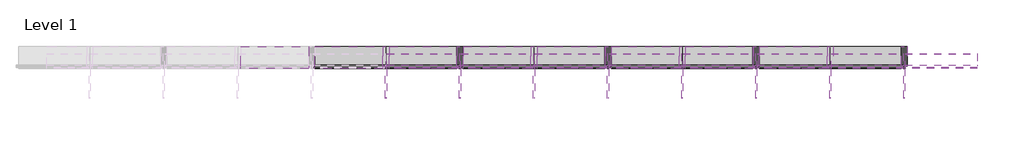
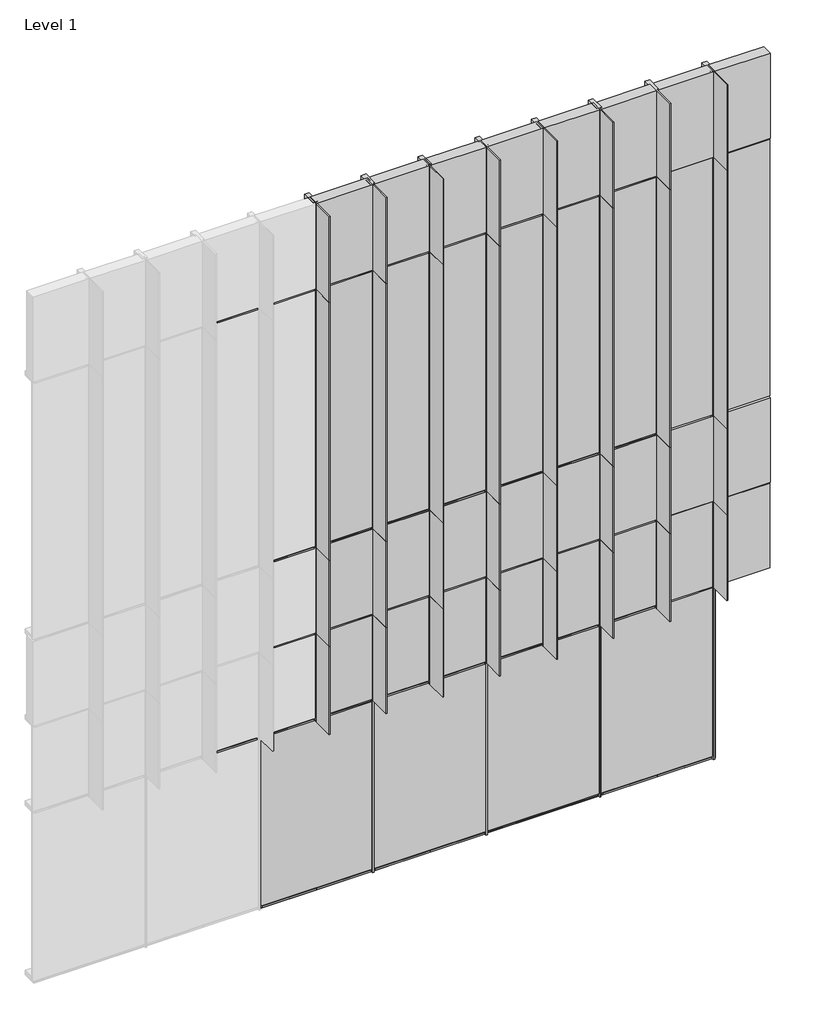
# One storey, part 10 of 15: 74 members, 36 plates.
"""IFC4 building model written with IfcOpenShell, lengths in millimetres."""

import ifcopenshell
import ifcopenshell.guid

model = None  # the IFC model being written
_history = None  # IfcOwnerHistory: only IFC2X3 demands one
_inside = {}  # id of a spatial element -> (the spatial element, [elements in it])
_under = {}  # id of a project, library or spatial element -> (it, [spatial elements below it])
_declared = {}  # id of a project -> (the project, [libraries it declares])
_typed = {}  # id of a type object -> (the type object, [elements of that type])
_made_of = {}  # id of a material, layer set ... -> (it, [elements and type objects made of it])


def new_model(schema):
    """Start an empty IFC model of exactly this schema.

    Asked for "IFC4X3", IfcOpenShell would pick the latest addendum, in which some entities
    have other attributes; the version numbers below select the first issue.
    IFC2X3 requires an IfcOwnerHistory on every rooted entity: one is made here for all.
    """
    global model, _history
    if schema == "IFC4X3":
        model = ifcopenshell.file(schema_version=(4, 3, 0, 0))
    else:
        model = ifcopenshell.file(schema=schema)
    _inside.clear()
    _under.clear()
    _declared.clear()
    _typed.clear()
    _made_of.clear()
    _history = None
    if model.schema == "IFC2X3":
        org = make("IfcOrganization", Name="unknown")
        user = make(
            "IfcPersonAndOrganization",
            ThePerson=make("IfcPerson", FamilyName="unknown"),
            TheOrganization=org,
        )
        app = make(
            "IfcApplication",
            ApplicationDeveloper=org,
            Version="unknown",
            ApplicationFullName="unknown",
            ApplicationIdentifier="unknown",
        )
        _history = make(
            "IfcOwnerHistory",
            OwningUser=user,
            OwningApplication=app,
            ChangeAction="ADDED",
            CreationDate=0,
        )
    return model


def make(cls, **values):
    """One entity of the class cls with the attributes given. An attribute that is None is left unset."""
    return model.create_entity(
        cls, **{name: value for name, value in values.items() if value is not None}
    )


def rooted(cls, **values):
    """An entity with a GlobalId (a new one), such as an element, a storey or a relation."""
    return make(cls, GlobalId=ifcopenshell.guid.new(), OwnerHistory=_history, **values)


def si_unit(unit_type, name, prefix=None):
    """IfcSIUnit, for example si_unit("LENGTHUNIT", "METRE", prefix="MILLI")."""
    return make("IfcSIUnit", UnitType=unit_type, Prefix=prefix, Name=name)


def assignment(units):
    """IfcUnitAssignment: the units of a project."""
    return None if units is None else make("IfcUnitAssignment", Units=units)


def point(xyz):
    """IfcCartesianPoint."""
    return None if xyz is None else make("IfcCartesianPoint", Coordinates=xyz)


def direction(xyz):
    """IfcDirection."""
    return None if xyz is None else make("IfcDirection", DirectionRatios=xyz)


def frame(location, z_axis=None, x_axis=None):
    """IfcAxis2Placement3D, a coordinate frame: its origin and axes. An axis left out is left unset."""
    return make(
        "IfcAxis2Placement3D",
        Location=point(location),
        Axis=direction(z_axis),
        RefDirection=direction(x_axis),
    )


def origin():
    """The frame at (0, 0, 0) with its axes left unset."""
    return frame((0.0, 0.0, 0.0))


def origin_with_axes():
    """The frame at (0, 0, 0) with the z axis (0, 0, 1) and the x axis (1, 0, 0) written out."""
    return frame((0.0, 0.0, 0.0), z_axis=(0.0, 0.0, 1.0), x_axis=(1.0, 0.0, 0.0))


def place(relative_to, where):
    """IfcLocalPlacement: puts the frame where relative to a parent placement (None: the world)."""
    return make(
        "IfcLocalPlacement", PlacementRelTo=relative_to, RelativePlacement=where
    )


def context(
    kind, dimensions, precision=None, world=None, true_north=None, identifier=None
):
    """IfcGeometricRepresentationContext, for example the 3D "Model" context."""
    return make(
        "IfcGeometricRepresentationContext",
        ContextIdentifier=identifier,
        ContextType=kind,
        CoordinateSpaceDimension=dimensions,
        Precision=precision,
        WorldCoordinateSystem=world,
        TrueNorth=true_north,
    )


def project(units=None, contexts=None):
    """IfcProject with its units and contexts."""
    return rooted(
        "IfcProject",
        Name="project",
        RepresentationContexts=contexts,
        UnitsInContext=assignment(units),
    )


def spatial(cls, under=None, at=None, **own):
    """A site, building, storey or space (cls), placed at a placement, below another one or the project."""
    s = rooted(cls, ObjectPlacement=at, **own)
    if under is not None:
        _under.setdefault(under.id(), (under, []))[1].append(s)
    return s


def polyline(points):
    """IfcPolyline through the points."""
    return make("IfcPolyline", Points=[point(p) for p in points])


def outline(outer, holes=None, kind="AREA"):
    """IfcArbitraryClosedProfileDef: a profile drawn as a closed curve; with holes, ...WithVoids."""
    if holes is None:
        return make("IfcArbitraryClosedProfileDef", ProfileType=kind, OuterCurve=outer)
    return make(
        "IfcArbitraryProfileDefWithVoids",
        ProfileType=kind,
        OuterCurve=outer,
        InnerCurves=holes,
    )


def extrude(swept, where, along, depth):
    """IfcExtrudedAreaSolid: the profile swept, set in the frame where, extruded along a direction by depth."""
    return make(
        "IfcExtrudedAreaSolid",
        SweptArea=swept,
        Position=where,
        ExtrudedDirection=direction(along),
        Depth=depth,
    )


def shape(context_of_items, identifier, shape_type, items):
    """IfcShapeRepresentation: the items that make up one representation, for example the "Body"."""
    return make(
        "IfcShapeRepresentation",
        ContextOfItems=context_of_items,
        RepresentationIdentifier=identifier,
        RepresentationType=shape_type,
        Items=items,
    )


def source(mapping_origin, context_of_items, identifier, shape_type, items):
    """IfcRepresentationMap: a shape defined once, which mapped items show again and again."""
    return make(
        "IfcRepresentationMap",
        MappingOrigin=mapping_origin,
        MappedRepresentation=shape(context_of_items, identifier, shape_type, items),
    )


def transform(
    local_origin,
    x_axis=None,
    y_axis=None,
    z_axis=None,
    scale=None,
    scale2=None,
    scale3=None,
    uniform=True,
):
    """IfcCartesianTransformationOperator3D, or its non-uniform kind. x_axis, y_axis, z_axis: its Axis1, 2, 3."""
    if uniform:
        return make(
            "IfcCartesianTransformationOperator3D",
            Axis1=direction(x_axis),
            Axis2=direction(y_axis),
            LocalOrigin=point(local_origin),
            Scale=scale,
            Axis3=direction(z_axis),
        )
    return make(
        "IfcCartesianTransformationOperator3DnonUniform",
        Axis1=direction(x_axis),
        Axis2=direction(y_axis),
        LocalOrigin=point(local_origin),
        Scale=scale,
        Axis3=direction(z_axis),
        Scale2=scale2,
        Scale3=scale3,
    )


def mapped(mapping_source, mapping_target):
    """IfcMappedItem: shows the shape of a source again, moved by a transform."""
    return make(
        "IfcMappedItem", MappingSource=mapping_source, MappingTarget=mapping_target
    )


def made_of(thing, what):
    """Note that an element or type object is made of a material, layer set ...; save() writes the relation."""
    if what is not None:
        _made_of.setdefault(what.id(), (what, []))[1].append(thing)
    return thing


def element(
    cls,
    number,
    at=None,
    inside=None,
    cuts=None,
    type_object=None,
    material=None,
    context=None,
    identifier="Body",
    shape_type=None,
    held_by="IfcProductDefinitionShape",
    body=None,
    shapes=None,
    **own,
):
    """One element of the class cls, such as IfcWall. Its Tag is "e" and its number.

    at: its placement. inside: the storey or other place that contains it. cuts: it is an
    opening in that element (IfcRelVoidsElement). A single representation is given by context,
    identifier, shape_type and body (its items); several are given by shapes. held_by: the class
    of the entity that holds the representations. save() writes the other relations.
    """
    e = rooted(cls, Tag="e%d" % number, ObjectPlacement=at, **own)
    if body is not None:
        shapes = [shape(context, identifier, shape_type, body)]
    if shapes is not None:
        e.Representation = make(held_by, Representations=shapes)
    if inside is not None:
        _inside.setdefault(inside.id(), (inside, []))[1].append(e)
    if cuts is not None:
        rooted(
            "IfcRelVoidsElement", RelatingBuildingElement=cuts, RelatedOpeningElement=e
        )
    if type_object is not None:
        _typed.setdefault(type_object.id(), (type_object, []))[1].append(e)
    return made_of(e, material)


def aggregate(whole, parts):
    """IfcRelAggregates: a whole, such as a stair, and the parts it consists of."""
    return rooted("IfcRelAggregates", RelatingObject=whole, RelatedObjects=parts)


def save(model, path):
    """Write the relations noted so far, then the file.

    IfcRelAggregates (storeys below a building ...), IfcRelContainedInSpatialStructure (elements
    in a storey), IfcRelDefinesByType, IfcRelAssociatesMaterial and IfcRelDeclares: one each for
    every whole, place, type object, material and project.
    """
    for whole, parts in _under.values():
        aggregate(whole, parts)
    for where, things in _inside.values():
        rooted(
            "IfcRelContainedInSpatialStructure",
            RelatedElements=things,
            RelatingStructure=where,
        )
    for kind, things in _typed.values():
        rooted("IfcRelDefinesByType", RelatedObjects=things, RelatingType=kind)
    for what, things in _made_of.values():
        rooted("IfcRelAssociatesMaterial", RelatedObjects=things, RelatingMaterial=what)
    for by, libraries in _declared.values():
        rooted("IfcRelDeclares", RelatingContext=by, RelatedDefinitions=libraries)
    model.write(path)


def rectangular_mullion_658b0388(model_context):
    return source(origin(), model_context, "Body", "SweptSolid", [
        extrude(outline(polyline([(33.2101153, -228.6), (-30.2898847, -228.6), (-30.2898847, -26.9875), (-8.0648847, -26.9875), (-8.0648847, 0.0), (-4.8898847, 0.0), (-4.8898847, 304.8), (7.8101153, 304.8), (7.8101153, 0.0), (10.9851153, 0.0), (10.9851153, -26.9875), (33.2101153, -26.9875), (33.2101153, -228.6)])), frame((0.0, 0.0, -3657.6), z_axis=(0.0, 0.0, 1.0), x_axis=(1.0, 0.0, 0.0)), (0.0, 0.0, 1.0), 3657.6),
    ])


def rectangular_mullion_40a1b22a(model_context):
    return source(origin(), model_context, "Body", "SweptSolid", [
        extrude(outline(polyline([(33.2101153, -228.6), (-30.2898847, -228.6), (-30.2898847, -26.9875), (-8.0648847, -26.9875), (-8.0648847, 0.0), (-4.8898847, 0.0), (-4.8898847, 304.8), (7.8101153, 304.8), (7.8101153, 0.0), (10.9851153, 0.0), (10.9851153, -26.9875), (33.2101153, -26.9875), (33.2101153, -228.6)])), frame((0.0, 0.0, -1219.2), z_axis=(0.0, 0.0, 1.0), x_axis=(1.0, 0.0, 0.0)), (0.0, 0.0, 1.0), 1219.2),
    ])


def rectangular_mullion_8a8c6ea4(model_context):
    return source(origin(), model_context, "Body", "SweptSolid", [
        extrude(outline(polyline([(31.75, -228.6), (-31.75, -228.6), (-31.75, -26.9875), (-9.525, -26.9875), (-9.525, 0.0), (9.525, 0.0), (9.525, -26.9875), (31.75, -26.9875), (31.75, -228.6)])), frame((0.0, 0.0, -698.5), z_axis=(0.0, 0.0, 1.0), x_axis=(1.0, 0.0, 0.0)), (0.0, 0.0, 1.0), 698.5),
    ])


def rectangular_mullion_2ba164b7(model_context):
    return source(origin(), model_context, "Body", "SweptSolid", [
        extrude(outline(polyline([(31.75, -228.6), (-31.75, -228.6), (-31.75, -26.9875), (-9.525, -26.9875), (-9.525, 0.0), (9.525, 0.0), (9.525, -26.9875), (31.75, -26.9875), (31.75, -228.6)])), frame((0.0, 0.0, -2438.4), z_axis=(0.0, 0.0, 1.0), x_axis=(1.0, 0.0, 0.0)), (0.0, 0.0, 1.0), 2438.4),
    ])


def rectangular_mullion_79c372c8(model_context):
    return source(origin(), model_context, "Body", "SweptSolid", [
        extrude(outline(polyline([(33.2101153, -228.6), (-30.2898847, -228.6), (-30.2898847, -26.9875), (-8.0648847, -26.9875), (-8.0648847, 0.0), (-4.8898847, 0.0), (-4.8898847, 304.8), (7.8101153, 304.8), (7.8101153, 0.0), (10.9851153, 0.0), (10.9851153, -26.9875), (33.2101153, -26.9875), (33.2101153, -228.6)])), frame((0.0, 0.0, -1250.95), z_axis=(0.0, 0.0, 1.0), x_axis=(1.0, 0.0, 0.0)), (0.0, 0.0, 1.0), 1250.95),
    ])


def rectangular_mullion_a8ff40d3(model_context):
    return source(origin(), model_context, "Body", "SweptSolid", [
        extrude(outline(polyline([(31.75, -228.6), (-31.75, -228.6), (-31.75, -26.9875), (-9.525, -26.9875), (-9.525, 0.0), (9.525, 0.0), (9.525, -26.9875), (31.75, -26.9875), (31.75, -228.6)])), frame((0.0, 0.0, -697.0398847), z_axis=(0.0, 0.0, 1.0), x_axis=(1.0, 0.0, 0.0)), (0.0, 0.0, 1.0), 697.0398847),
    ])


def rectangular_mullion_34b15848(model_context):
    return source(origin(), model_context, "Body", "SweptSolid", [
        extrude(outline(polyline([(-63.5, -228.6), (-63.5, -26.9875), (-41.275, -26.9875), (-41.275, 0.0), (-22.225, 0.0), (-22.225, -26.9875), (0.0, -26.9875), (0.0, -228.6), (-63.5, -228.6)])), frame((0.0, 0.0, -730.25), z_axis=(0.0, 0.0, 1.0), x_axis=(1.0, 0.0, 0.0)), (0.0, 0.0, 1.0), 730.25),
    ])


def plate_6c5fabed(model_context):
    return source(origin(), model_context, "Body", "SweptSolid", [
        extrude(outline(polyline([(0.0, -752.475), (0.0, 0.0), (0.0, 752.475), (2387.6, 752.475), (2387.6, 0.0), (2387.6, -752.475), (0.0, -752.475)])), frame((0.0, 12.7, 0.0), z_axis=(0.0, 1.0, 0.0), x_axis=(0.0, 0.0, 1.0)), (0.0, 0.0, 1.0), 25.4),
    ])


def plate_a50c4586(model_context):
    return source(origin(), model_context, "Body", "SweptSolid", [
        extrude(outline(polyline([(371.475, 12.7), (-371.475, 12.7), (-371.475, 38.1), (371.475, 38.1), (371.475, 12.7)])), origin_with_axes(), (0.0, 0.0, 1.0), 3638.55),
    ])


def plate_fd20e3dd(model_context):
    return source(origin(), model_context, "Body", "SweptSolid", [
        extrude(outline(polyline([(371.475, 12.7), (-371.475, 12.7), (-371.475, 38.1), (371.475, 38.1), (371.475, 12.7)])), origin_with_axes(), (0.0, 0.0, 1.0), 1200.15),
    ])


def plate_d4540562(model_context):
    return source(origin(), model_context, "Body", "SweptSolid", [
        extrude(outline(polyline([(371.475, 0.0), (-371.475, 0.0), (-371.475, 152.4), (371.475, 152.4), (371.475, 0.0)])), origin_with_axes(), (0.0, 0.0, 1.0), 1200.15),
    ])


def plate_23171f9a(model_context):
    return source(origin(), model_context, "Body", "SweptSolid", [
        extrude(outline(polyline([(371.475, 0.0), (-371.475, 0.0), (-371.475, 152.4), (371.475, 152.4), (371.475, 0.0)])), origin_with_axes(), (0.0, 0.0, 1.0), 1209.675),
    ])


model = new_model("IFC4")

# Units and contexts
model_context = context("Model", 3, world=origin())
ifc_project = project(units=[si_unit("LENGTHUNIT", "METRE", prefix="MILLI")], contexts=[model_context])

# Site, building, storey
site = spatial("IfcSite", under=ifc_project)
building = spatial("IfcBuilding", under=site)
storey = spatial("IfcBuildingStorey", under=building, Name="Level 1", Elevation=0.0)

# Members
placement = place(None, origin())
rectangular_mullion_shape = rectangular_mullion_658b0388(model_context)
element("IfcMember", 1, ObjectType="Rectangular Mullion", at=placement, inside=storey, context=model_context, shape_type="MappedRepresentation", body=[
    mapped(rectangular_mullion_shape, transform((246179.8928019, 88347.5014, 4876.8), x_axis=(1.0, 0.0, 0.0), y_axis=(0.0, -1.0, 0.0), z_axis=(0.0, 0.0, -1.0))),
])
element("IfcMember", 2, ObjectType="Rectangular Mullion", at=placement, inside=storey, context=model_context, shape_type="MappedRepresentation", body=[
    mapped(rectangular_mullion_shape, transform((246941.8928019, 88347.5014, 4876.8), x_axis=(1.0, 0.0, 0.0), y_axis=(0.0, -1.0, 0.0), z_axis=(0.0, 0.0, -1.0))),
])
element("IfcMember", 3, ObjectType="Rectangular Mullion", at=placement, inside=storey, context=model_context, shape_type="MappedRepresentation", body=[
    mapped(rectangular_mullion_shape, transform((247703.8928019, 88347.5014, 4876.8), x_axis=(1.0, 0.0, 0.0), y_axis=(0.0, -1.0, 0.0), z_axis=(0.0, 0.0, -1.0))),
])
element("IfcMember", 4, ObjectType="Rectangular Mullion", at=placement, inside=storey, context=model_context, shape_type="MappedRepresentation", body=[
    mapped(rectangular_mullion_shape, transform((248465.8928019, 88347.5014, 4876.8), x_axis=(1.0, 0.0, 0.0), y_axis=(0.0, -1.0, 0.0), z_axis=(0.0, 0.0, -1.0))),
])
element("IfcMember", 5, ObjectType="Rectangular Mullion", at=placement, inside=storey, context=model_context, shape_type="MappedRepresentation", body=[
    mapped(rectangular_mullion_shape, transform((249227.8928019, 88347.5014, 4876.8), x_axis=(1.0, 0.0, 0.0), y_axis=(0.0, -1.0, 0.0), z_axis=(0.0, 0.0, -1.0))),
])
element("IfcMember", 6, ObjectType="Rectangular Mullion", at=placement, inside=storey, context=model_context, shape_type="MappedRepresentation", body=[
    mapped(rectangular_mullion_shape, transform((249989.8928019, 88347.5014, 4876.8), x_axis=(1.0, 0.0, 0.0), y_axis=(0.0, -1.0, 0.0), z_axis=(0.0, 0.0, -1.0))),
])
element("IfcMember", 7, ObjectType="Rectangular Mullion", at=placement, inside=storey, context=model_context, shape_type="MappedRepresentation", body=[
    mapped(rectangular_mullion_shape, transform((250751.8928019, 88347.5014, 4876.8), x_axis=(1.0, 0.0, 0.0), y_axis=(0.0, -1.0, 0.0), z_axis=(0.0, 0.0, -1.0))),
])
element("IfcMember", 8, ObjectType="Rectangular Mullion", at=placement, inside=storey, context=model_context, shape_type="MappedRepresentation", body=[
    mapped(rectangular_mullion_shape, transform((251513.8928019, 88347.5014, 4876.8), x_axis=(1.0, 0.0, 0.0), y_axis=(0.0, -1.0, 0.0), z_axis=(0.0, 0.0, -1.0))),
])
rectangular_mullion_2_shape = rectangular_mullion_40a1b22a(model_context)
element("IfcMember", 9, ObjectType="Rectangular Mullion", at=placement, inside=storey, context=model_context, shape_type="MappedRepresentation", body=[
    mapped(rectangular_mullion_2_shape, transform((246179.8928019, 88347.5014, 3657.6), x_axis=(1.0, 0.0, 0.0), y_axis=(0.0, -1.0, 0.0), z_axis=(0.0, 0.0, -1.0))),
])
element("IfcMember", 10, ObjectType="Rectangular Mullion", at=placement, inside=storey, context=model_context, shape_type="MappedRepresentation", body=[
    mapped(rectangular_mullion_2_shape, transform((246941.8928019, 88347.5014, 3657.6), x_axis=(1.0, 0.0, 0.0), y_axis=(0.0, -1.0, 0.0), z_axis=(0.0, 0.0, -1.0))),
])
element("IfcMember", 11, ObjectType="Rectangular Mullion", at=placement, inside=storey, context=model_context, shape_type="MappedRepresentation", body=[
    mapped(rectangular_mullion_2_shape, transform((247703.8928019, 88347.5014, 3657.6), x_axis=(1.0, 0.0, 0.0), y_axis=(0.0, -1.0, 0.0), z_axis=(0.0, 0.0, -1.0))),
])
element("IfcMember", 12, ObjectType="Rectangular Mullion", at=placement, inside=storey, context=model_context, shape_type="MappedRepresentation", body=[
    mapped(rectangular_mullion_2_shape, transform((248465.8928019, 88347.5014, 3657.6), x_axis=(1.0, 0.0, 0.0), y_axis=(0.0, -1.0, 0.0), z_axis=(0.0, 0.0, -1.0))),
])
element("IfcMember", 13, ObjectType="Rectangular Mullion", at=placement, inside=storey, context=model_context, shape_type="MappedRepresentation", body=[
    mapped(rectangular_mullion_2_shape, transform((249227.8928019, 88347.5014, 3657.6), x_axis=(1.0, 0.0, 0.0), y_axis=(0.0, -1.0, 0.0), z_axis=(0.0, 0.0, -1.0))),
])
element("IfcMember", 14, ObjectType="Rectangular Mullion", at=placement, inside=storey, context=model_context, shape_type="MappedRepresentation", body=[
    mapped(rectangular_mullion_2_shape, transform((249989.8928019, 88347.5014, 3657.6), x_axis=(1.0, 0.0, 0.0), y_axis=(0.0, -1.0, 0.0), z_axis=(0.0, 0.0, -1.0))),
])
element("IfcMember", 15, ObjectType="Rectangular Mullion", at=placement, inside=storey, context=model_context, shape_type="MappedRepresentation", body=[
    mapped(rectangular_mullion_2_shape, transform((250751.8928019, 88347.5014, 3657.6), x_axis=(1.0, 0.0, 0.0), y_axis=(0.0, -1.0, 0.0), z_axis=(0.0, 0.0, -1.0))),
])
element("IfcMember", 16, ObjectType="Rectangular Mullion", at=placement, inside=storey, context=model_context, shape_type="MappedRepresentation", body=[
    mapped(rectangular_mullion_2_shape, transform((251513.8928019, 88347.5014, 3657.6), x_axis=(1.0, 0.0, 0.0), y_axis=(0.0, -1.0, 0.0), z_axis=(0.0, 0.0, -1.0))),
])
element("IfcMember", 17, ObjectType="Rectangular Mullion", at=placement, inside=storey, context=model_context, shape_type="MappedRepresentation", body=[
    mapped(rectangular_mullion_2_shape, transform((246179.8928019, 88347.5014, 8534.4), x_axis=(1.0, 0.0, 0.0), y_axis=(0.0, -1.0, 0.0), z_axis=(0.0, 0.0, -1.0))),
])
element("IfcMember", 18, ObjectType="Rectangular Mullion", at=placement, inside=storey, context=model_context, shape_type="MappedRepresentation", body=[
    mapped(rectangular_mullion_2_shape, transform((246941.8928019, 88347.5014, 8534.4), x_axis=(1.0, 0.0, 0.0), y_axis=(0.0, -1.0, 0.0), z_axis=(0.0, 0.0, -1.0))),
])
element("IfcMember", 19, ObjectType="Rectangular Mullion", at=placement, inside=storey, context=model_context, shape_type="MappedRepresentation", body=[
    mapped(rectangular_mullion_2_shape, transform((247703.8928019, 88347.5014, 8534.4), x_axis=(1.0, 0.0, 0.0), y_axis=(0.0, -1.0, 0.0), z_axis=(0.0, 0.0, -1.0))),
])
element("IfcMember", 20, ObjectType="Rectangular Mullion", at=placement, inside=storey, context=model_context, shape_type="MappedRepresentation", body=[
    mapped(rectangular_mullion_2_shape, transform((248465.8928019, 88347.5014, 8534.4), x_axis=(1.0, 0.0, 0.0), y_axis=(0.0, -1.0, 0.0), z_axis=(0.0, 0.0, -1.0))),
])
element("IfcMember", 21, ObjectType="Rectangular Mullion", at=placement, inside=storey, context=model_context, shape_type="MappedRepresentation", body=[
    mapped(rectangular_mullion_2_shape, transform((249227.8928019, 88347.5014, 8534.4), x_axis=(1.0, 0.0, 0.0), y_axis=(0.0, -1.0, 0.0), z_axis=(0.0, 0.0, -1.0))),
])
element("IfcMember", 22, ObjectType="Rectangular Mullion", at=placement, inside=storey, context=model_context, shape_type="MappedRepresentation", body=[
    mapped(rectangular_mullion_2_shape, transform((249989.8928019, 88347.5014, 8534.4), x_axis=(1.0, 0.0, 0.0), y_axis=(0.0, -1.0, 0.0), z_axis=(0.0, 0.0, -1.0))),
])
element("IfcMember", 23, ObjectType="Rectangular Mullion", at=placement, inside=storey, context=model_context, shape_type="MappedRepresentation", body=[
    mapped(rectangular_mullion_2_shape, transform((250751.8928019, 88347.5014, 8534.4), x_axis=(1.0, 0.0, 0.0), y_axis=(0.0, -1.0, 0.0), z_axis=(0.0, 0.0, -1.0))),
])
element("IfcMember", 24, ObjectType="Rectangular Mullion", at=placement, inside=storey, context=model_context, shape_type="MappedRepresentation", body=[
    mapped(rectangular_mullion_2_shape, transform((251513.8928019, 88347.5014, 8534.4), x_axis=(1.0, 0.0, 0.0), y_axis=(0.0, -1.0, 0.0), z_axis=(0.0, 0.0, -1.0))),
])
rectangular_mullion_3_shape = rectangular_mullion_8a8c6ea4(model_context)
element("IfcMember", 25, ObjectType="Rectangular Mullion", at=placement, inside=storey, context=model_context, shape_type="MappedRepresentation", body=[
    mapped(rectangular_mullion_3_shape, transform((246149.6029172, 88347.5014, 4876.8), x_axis=(0.0, 0.0, 1.0), y_axis=(0.0, -1.0, 0.0), z_axis=(1.0, 0.0, 0.0))),
])
element("IfcMember", 26, ObjectType="Rectangular Mullion", at=placement, inside=storey, context=model_context, shape_type="MappedRepresentation", body=[
    mapped(rectangular_mullion_3_shape, transform((246911.6029172, 88347.5014, 4876.8), x_axis=(0.0, 0.0, 1.0), y_axis=(0.0, -1.0, 0.0), z_axis=(1.0, 0.0, 0.0))),
])
element("IfcMember", 27, ObjectType="Rectangular Mullion", at=placement, inside=storey, context=model_context, shape_type="MappedRepresentation", body=[
    mapped(rectangular_mullion_3_shape, transform((247673.6029172, 88347.5014, 4876.8), x_axis=(0.0, 0.0, 1.0), y_axis=(0.0, -1.0, 0.0), z_axis=(1.0, 0.0, 0.0))),
])
element("IfcMember", 28, ObjectType="Rectangular Mullion", at=placement, inside=storey, context=model_context, shape_type="MappedRepresentation", body=[
    mapped(rectangular_mullion_3_shape, transform((248435.6029172, 88347.5014, 4876.8), x_axis=(0.0, 0.0, 1.0), y_axis=(0.0, -1.0, 0.0), z_axis=(1.0, 0.0, 0.0))),
])
element("IfcMember", 29, ObjectType="Rectangular Mullion", at=placement, inside=storey, context=model_context, shape_type="MappedRepresentation", body=[
    mapped(rectangular_mullion_3_shape, transform((249197.6029172, 88347.5014, 4876.8), x_axis=(0.0, 0.0, 1.0), y_axis=(0.0, -1.0, 0.0), z_axis=(1.0, 0.0, 0.0))),
])
element("IfcMember", 30, ObjectType="Rectangular Mullion", at=placement, inside=storey, context=model_context, shape_type="MappedRepresentation", body=[
    mapped(rectangular_mullion_3_shape, transform((249959.6029172, 88347.5014, 4876.8), x_axis=(0.0, 0.0, 1.0), y_axis=(0.0, -1.0, 0.0), z_axis=(1.0, 0.0, 0.0))),
])
element("IfcMember", 31, ObjectType="Rectangular Mullion", at=placement, inside=storey, context=model_context, shape_type="MappedRepresentation", body=[
    mapped(rectangular_mullion_3_shape, transform((250721.6029172, 88347.5014, 4876.8), x_axis=(0.0, 0.0, 1.0), y_axis=(0.0, -1.0, 0.0), z_axis=(1.0, 0.0, 0.0))),
])
element("IfcMember", 32, ObjectType="Rectangular Mullion", at=placement, inside=storey, context=model_context, shape_type="MappedRepresentation", body=[
    mapped(rectangular_mullion_3_shape, transform((246149.6029172, 88347.5014, 3657.6), x_axis=(0.0, 0.0, 1.0), y_axis=(0.0, -1.0, 0.0), z_axis=(1.0, 0.0, 0.0))),
])
element("IfcMember", 33, ObjectType="Rectangular Mullion", at=placement, inside=storey, context=model_context, shape_type="MappedRepresentation", body=[
    mapped(rectangular_mullion_3_shape, transform((246911.6029172, 88347.5014, 3657.6), x_axis=(0.0, 0.0, 1.0), y_axis=(0.0, -1.0, 0.0), z_axis=(1.0, 0.0, 0.0))),
])
element("IfcMember", 34, ObjectType="Rectangular Mullion", at=placement, inside=storey, context=model_context, shape_type="MappedRepresentation", body=[
    mapped(rectangular_mullion_3_shape, transform((247673.6029172, 88347.5014, 3657.6), x_axis=(0.0, 0.0, 1.0), y_axis=(0.0, -1.0, 0.0), z_axis=(1.0, 0.0, 0.0))),
])
element("IfcMember", 35, ObjectType="Rectangular Mullion", at=placement, inside=storey, context=model_context, shape_type="MappedRepresentation", body=[
    mapped(rectangular_mullion_3_shape, transform((248435.6029172, 88347.5014, 3657.6), x_axis=(0.0, 0.0, 1.0), y_axis=(0.0, -1.0, 0.0), z_axis=(1.0, 0.0, 0.0))),
])
element("IfcMember", 36, ObjectType="Rectangular Mullion", at=placement, inside=storey, context=model_context, shape_type="MappedRepresentation", body=[
    mapped(rectangular_mullion_3_shape, transform((249197.6029172, 88347.5014, 3657.6), x_axis=(0.0, 0.0, 1.0), y_axis=(0.0, -1.0, 0.0), z_axis=(1.0, 0.0, 0.0))),
])
element("IfcMember", 37, ObjectType="Rectangular Mullion", at=placement, inside=storey, context=model_context, shape_type="MappedRepresentation", body=[
    mapped(rectangular_mullion_3_shape, transform((249959.6029172, 88347.5014, 3657.6), x_axis=(0.0, 0.0, 1.0), y_axis=(0.0, -1.0, 0.0), z_axis=(1.0, 0.0, 0.0))),
])
element("IfcMember", 38, ObjectType="Rectangular Mullion", at=placement, inside=storey, context=model_context, shape_type="MappedRepresentation", body=[
    mapped(rectangular_mullion_3_shape, transform((250721.6029172, 88347.5014, 3657.6), x_axis=(0.0, 0.0, 1.0), y_axis=(0.0, -1.0, 0.0), z_axis=(1.0, 0.0, 0.0))),
])
element("IfcMember", 39, ObjectType="Rectangular Mullion", at=placement, inside=storey, context=model_context, shape_type="MappedRepresentation", body=[
    mapped(rectangular_mullion_3_shape, transform((245387.6029172, 88347.5014, 8534.4), x_axis=(0.0, 0.0, 1.0), y_axis=(0.0, -1.0, 0.0), z_axis=(1.0, 0.0, 0.0))),
])
element("IfcMember", 40, ObjectType="Rectangular Mullion", at=placement, inside=storey, context=model_context, shape_type="MappedRepresentation", body=[
    mapped(rectangular_mullion_3_shape, transform((246149.6029172, 88347.5014, 8534.4), x_axis=(0.0, 0.0, 1.0), y_axis=(0.0, -1.0, 0.0), z_axis=(1.0, 0.0, 0.0))),
])
element("IfcMember", 41, ObjectType="Rectangular Mullion", at=placement, inside=storey, context=model_context, shape_type="MappedRepresentation", body=[
    mapped(rectangular_mullion_3_shape, transform((246911.6029172, 88347.5014, 8534.4), x_axis=(0.0, 0.0, 1.0), y_axis=(0.0, -1.0, 0.0), z_axis=(1.0, 0.0, 0.0))),
])
element("IfcMember", 42, ObjectType="Rectangular Mullion", at=placement, inside=storey, context=model_context, shape_type="MappedRepresentation", body=[
    mapped(rectangular_mullion_3_shape, transform((247673.6029172, 88347.5014, 8534.4), x_axis=(0.0, 0.0, 1.0), y_axis=(0.0, -1.0, 0.0), z_axis=(1.0, 0.0, 0.0))),
])
element("IfcMember", 43, ObjectType="Rectangular Mullion", at=placement, inside=storey, context=model_context, shape_type="MappedRepresentation", body=[
    mapped(rectangular_mullion_3_shape, transform((248435.6029172, 88347.5014, 8534.4), x_axis=(0.0, 0.0, 1.0), y_axis=(0.0, -1.0, 0.0), z_axis=(1.0, 0.0, 0.0))),
])
element("IfcMember", 44, ObjectType="Rectangular Mullion", at=placement, inside=storey, context=model_context, shape_type="MappedRepresentation", body=[
    mapped(rectangular_mullion_3_shape, transform((249197.6029172, 88347.5014, 8534.4), x_axis=(0.0, 0.0, 1.0), y_axis=(0.0, -1.0, 0.0), z_axis=(1.0, 0.0, 0.0))),
])
element("IfcMember", 45, ObjectType="Rectangular Mullion", at=placement, inside=storey, context=model_context, shape_type="MappedRepresentation", body=[
    mapped(rectangular_mullion_3_shape, transform((249959.6029172, 88347.5014, 8534.4), x_axis=(0.0, 0.0, 1.0), y_axis=(0.0, -1.0, 0.0), z_axis=(1.0, 0.0, 0.0))),
])
element("IfcMember", 46, ObjectType="Rectangular Mullion", at=placement, inside=storey, context=model_context, shape_type="MappedRepresentation", body=[
    mapped(rectangular_mullion_3_shape, transform((250721.6029172, 88347.5014, 8534.4), x_axis=(0.0, 0.0, 1.0), y_axis=(0.0, -1.0, 0.0), z_axis=(1.0, 0.0, 0.0))),
])
element("IfcMember", 47, ObjectType="Rectangular Mullion", at=placement, inside=storey, context=model_context, shape_type="MappedRepresentation", body=[
    mapped(rectangular_mullion_3_shape, transform((246149.6029172, 88347.5014, 2438.4), x_axis=(0.0, 0.0, 1.0), y_axis=(0.0, -1.0, 0.0), z_axis=(1.0, 0.0, 0.0))),
])
element("IfcMember", 48, ObjectType="Rectangular Mullion", at=placement, inside=storey, context=model_context, shape_type="MappedRepresentation", body=[
    mapped(rectangular_mullion_3_shape, transform((247673.6029172, 88347.5014, 2438.4), x_axis=(0.0, 0.0, 1.0), y_axis=(0.0, -1.0, 0.0), z_axis=(1.0, 0.0, 0.0))),
])
element("IfcMember", 49, ObjectType="Rectangular Mullion", at=placement, inside=storey, context=model_context, shape_type="MappedRepresentation", body=[
    mapped(rectangular_mullion_3_shape, transform((249197.6029172, 88347.5014, 2438.4), x_axis=(0.0, 0.0, 1.0), y_axis=(0.0, -1.0, 0.0), z_axis=(1.0, 0.0, 0.0))),
])
element("IfcMember", 50, ObjectType="Rectangular Mullion", at=placement, inside=storey, context=model_context, shape_type="MappedRepresentation", body=[
    mapped(rectangular_mullion_3_shape, transform((250721.6029172, 88347.5014, 2438.4), x_axis=(0.0, 0.0, 1.0), y_axis=(0.0, -1.0, 0.0), z_axis=(1.0, 0.0, 0.0))),
])
rectangular_mullion_4_shape = rectangular_mullion_2ba164b7(model_context)
element("IfcMember", 51, ObjectType="Rectangular Mullion", at=placement, inside=storey, context=model_context, shape_type="MappedRepresentation", body=[
    mapped(rectangular_mullion_4_shape, transform((246941.8928019, 88347.5014, 0.0), x_axis=(1.0, 0.0, 0.0), y_axis=(0.0, -1.0, 0.0), z_axis=(0.0, 0.0, -1.0))),
])
element("IfcMember", 52, ObjectType="Rectangular Mullion", at=placement, inside=storey, context=model_context, shape_type="MappedRepresentation", body=[
    mapped(rectangular_mullion_4_shape, transform((248465.8928019, 88347.5014, 0.0), x_axis=(1.0, 0.0, 0.0), y_axis=(0.0, -1.0, 0.0), z_axis=(0.0, 0.0, -1.0))),
])
element("IfcMember", 53, ObjectType="Rectangular Mullion", at=placement, inside=storey, context=model_context, shape_type="MappedRepresentation", body=[
    mapped(rectangular_mullion_4_shape, transform((249989.8928019, 88347.5014, 0.0), x_axis=(1.0, 0.0, 0.0), y_axis=(0.0, -1.0, 0.0), z_axis=(0.0, 0.0, -1.0))),
])
element("IfcMember", 54, ObjectType="Rectangular Mullion", at=placement, inside=storey, context=model_context, shape_type="MappedRepresentation", body=[
    mapped(rectangular_mullion_4_shape, transform((251513.8928019, 88347.5014, 0.0), x_axis=(1.0, 0.0, 0.0), y_axis=(0.0, -1.0, 0.0), z_axis=(0.0, 0.0, -1.0))),
])
rectangular_mullion_5_shape = rectangular_mullion_79c372c8(model_context)
element("IfcMember", 55, ObjectType="Rectangular Mullion", at=placement, inside=storey, context=model_context, shape_type="MappedRepresentation", body=[
    mapped(rectangular_mullion_5_shape, transform((246179.8928019, 88347.5014, 2406.65), x_axis=(1.0, 0.0, 0.0), y_axis=(0.0, -1.0, 0.0), z_axis=(0.0, 0.0, -1.0))),
])
element("IfcMember", 56, ObjectType="Rectangular Mullion", at=placement, inside=storey, context=model_context, shape_type="MappedRepresentation", body=[
    mapped(rectangular_mullion_5_shape, transform((247703.8928019, 88347.5014, 2406.65), x_axis=(1.0, 0.0, 0.0), y_axis=(0.0, -1.0, 0.0), z_axis=(0.0, 0.0, -1.0))),
])
element("IfcMember", 57, ObjectType="Rectangular Mullion", at=placement, inside=storey, context=model_context, shape_type="MappedRepresentation", body=[
    mapped(rectangular_mullion_5_shape, transform((249227.8928019, 88347.5014, 2406.65), x_axis=(1.0, 0.0, 0.0), y_axis=(0.0, -1.0, 0.0), z_axis=(0.0, 0.0, -1.0))),
])
element("IfcMember", 58, ObjectType="Rectangular Mullion", at=placement, inside=storey, context=model_context, shape_type="MappedRepresentation", body=[
    mapped(rectangular_mullion_5_shape, transform((250751.8928019, 88347.5014, 2406.65), x_axis=(1.0, 0.0, 0.0), y_axis=(0.0, -1.0, 0.0), z_axis=(0.0, 0.0, -1.0))),
])
element("IfcMember", 59, ObjectType="Rectangular Mullion", at=placement, inside=storey, context=model_context, shape_type="MappedRepresentation", body=[
    mapped(rectangular_mullion_2_shape, transform((246941.8928019, 88347.5014, 2438.4), x_axis=(1.0, 0.0, 0.0), y_axis=(0.0, -1.0, 0.0), z_axis=(0.0, 0.0, -1.0))),
])
element("IfcMember", 60, ObjectType="Rectangular Mullion", at=placement, inside=storey, context=model_context, shape_type="MappedRepresentation", body=[
    mapped(rectangular_mullion_2_shape, transform((248465.8928019, 88347.5014, 2438.4), x_axis=(1.0, 0.0, 0.0), y_axis=(0.0, -1.0, 0.0), z_axis=(0.0, 0.0, -1.0))),
])
element("IfcMember", 61, ObjectType="Rectangular Mullion", at=placement, inside=storey, context=model_context, shape_type="MappedRepresentation", body=[
    mapped(rectangular_mullion_2_shape, transform((249989.8928019, 88347.5014, 2438.4), x_axis=(1.0, 0.0, 0.0), y_axis=(0.0, -1.0, 0.0), z_axis=(0.0, 0.0, -1.0))),
])
element("IfcMember", 62, ObjectType="Rectangular Mullion", at=placement, inside=storey, context=model_context, shape_type="MappedRepresentation", body=[
    mapped(rectangular_mullion_2_shape, transform((251513.8928019, 88347.5014, 2438.4), x_axis=(1.0, 0.0, 0.0), y_axis=(0.0, -1.0, 0.0), z_axis=(0.0, 0.0, -1.0))),
])
rectangular_mullion_6_shape = rectangular_mullion_a8ff40d3(model_context)
element("IfcMember", 63, ObjectType="Rectangular Mullion", at=placement, inside=storey, context=model_context, shape_type="MappedRepresentation", body=[
    mapped(rectangular_mullion_6_shape, transform((245386.1428019, 88347.5014, 2438.4), x_axis=(0.0, 0.0, 1.0), y_axis=(0.0, -1.0, 0.0), z_axis=(1.0, 0.0, 0.0))),
])
element("IfcMember", 64, ObjectType="Rectangular Mullion", at=placement, inside=storey, context=model_context, shape_type="MappedRepresentation", body=[
    mapped(rectangular_mullion_6_shape, transform((246910.1428019, 88347.5014, 2438.4), x_axis=(0.0, 0.0, 1.0), y_axis=(0.0, -1.0, 0.0), z_axis=(1.0, 0.0, 0.0))),
])
element("IfcMember", 65, ObjectType="Rectangular Mullion", at=placement, inside=storey, context=model_context, shape_type="MappedRepresentation", body=[
    mapped(rectangular_mullion_6_shape, transform((248434.1428019, 88347.5014, 2438.4), x_axis=(0.0, 0.0, 1.0), y_axis=(0.0, -1.0, 0.0), z_axis=(1.0, 0.0, 0.0))),
])
element("IfcMember", 66, ObjectType="Rectangular Mullion", at=placement, inside=storey, context=model_context, shape_type="MappedRepresentation", body=[
    mapped(rectangular_mullion_6_shape, transform((249958.1428019, 88347.5014, 2438.4), x_axis=(0.0, 0.0, 1.0), y_axis=(0.0, -1.0, 0.0), z_axis=(1.0, 0.0, 0.0))),
])
rectangular_mullion_7_shape = rectangular_mullion_34b15848(model_context)
element("IfcMember", 67, ObjectType="Rectangular Mullion", at=placement, inside=storey, context=model_context, shape_type="MappedRepresentation", body=[
    mapped(rectangular_mullion_7_shape, transform((250021.6428019, 88347.5014, 0.0), x_axis=(0.0, 0.0, -1.0), y_axis=(0.0, -1.0, 0.0), z_axis=(-1.0, 0.0, 0.0))),
])
element("IfcMember", 68, ObjectType="Rectangular Mullion", at=placement, inside=storey, context=model_context, shape_type="MappedRepresentation", body=[
    mapped(rectangular_mullion_7_shape, transform((248497.6428019, 88347.5014, 0.0), x_axis=(0.0, 0.0, -1.0), y_axis=(0.0, -1.0, 0.0), z_axis=(-1.0, 0.0, 0.0))),
])
element("IfcMember", 69, ObjectType="Rectangular Mullion", at=placement, inside=storey, context=model_context, shape_type="MappedRepresentation", body=[
    mapped(rectangular_mullion_7_shape, transform((246973.6428019, 88347.5014, 0.0), x_axis=(0.0, 0.0, -1.0), y_axis=(0.0, -1.0, 0.0), z_axis=(-1.0, 0.0, 0.0))),
])
element("IfcMember", 70, ObjectType="Rectangular Mullion", at=placement, inside=storey, context=model_context, shape_type="MappedRepresentation", body=[
    mapped(rectangular_mullion_7_shape, transform((245449.6428019, 88347.5014, 0.0), x_axis=(0.0, 0.0, -1.0), y_axis=(0.0, -1.0, 0.0), z_axis=(-1.0, 0.0, 0.0))),
])
element("IfcMember", 71, ObjectType="Rectangular Mullion", at=placement, inside=storey, context=model_context, shape_type="MappedRepresentation", body=[
    mapped(rectangular_mullion_7_shape, transform((250751.8928019, 88347.5014, 0.0), x_axis=(0.0, 0.0, -1.0), y_axis=(0.0, -1.0, 0.0), z_axis=(-1.0, 0.0, 0.0))),
])
element("IfcMember", 72, ObjectType="Rectangular Mullion", at=placement, inside=storey, context=model_context, shape_type="MappedRepresentation", body=[
    mapped(rectangular_mullion_7_shape, transform((249227.8928019, 88347.5014, 0.0), x_axis=(0.0, 0.0, -1.0), y_axis=(0.0, -1.0, 0.0), z_axis=(-1.0, 0.0, 0.0))),
])
element("IfcMember", 73, ObjectType="Rectangular Mullion", at=placement, inside=storey, context=model_context, shape_type="MappedRepresentation", body=[
    mapped(rectangular_mullion_7_shape, transform((247703.8928019, 88347.5014, 0.0), x_axis=(0.0, 0.0, -1.0), y_axis=(0.0, -1.0, 0.0), z_axis=(-1.0, 0.0, 0.0))),
])
element("IfcMember", 74, ObjectType="Rectangular Mullion", at=placement, inside=storey, context=model_context, shape_type="MappedRepresentation", body=[
    mapped(rectangular_mullion_7_shape, transform((246179.8928019, 88347.5014, 0.0), x_axis=(0.0, 0.0, -1.0), y_axis=(0.0, -1.0, 0.0), z_axis=(-1.0, 0.0, 0.0))),
])

# Plates
plate_shape = plate_6c5fabed(model_context)
element("IfcPlate", 75, ObjectType="System Panel : 1\" Glass - Exterior - GL-1", at=placement, inside=storey, context=model_context, shape_type="MappedRepresentation", body=[
    mapped(plate_shape, transform((246179.8928019, 88347.5014, 41.275), x_axis=(1.0, 0.0, 0.0), y_axis=(0.0, 1.0, 0.0), z_axis=(0.0, 0.0, 1.0))),
])
element("IfcPlate", 76, ObjectType="System Panel : 1\" Glass - Exterior - GL-1", at=placement, inside=storey, context=model_context, shape_type="MappedRepresentation", body=[
    mapped(plate_shape, transform((247703.8928019, 88347.5014, 41.275), x_axis=(1.0, 0.0, 0.0), y_axis=(0.0, 1.0, 0.0), z_axis=(0.0, 0.0, 1.0))),
])
element("IfcPlate", 77, ObjectType="System Panel : 1\" Glass - Exterior - GL-1", at=placement, inside=storey, context=model_context, shape_type="MappedRepresentation", body=[
    mapped(plate_shape, transform((249227.8928019, 88347.5014, 41.275), x_axis=(1.0, 0.0, 0.0), y_axis=(0.0, 1.0, 0.0), z_axis=(0.0, 0.0, 1.0))),
])
element("IfcPlate", 78, ObjectType="System Panel : 1\" Glass - Exterior - GL-1", at=placement, inside=storey, context=model_context, shape_type="MappedRepresentation", body=[
    mapped(plate_shape, transform((250751.8928019, 88347.5014, 41.275), x_axis=(1.0, 0.0, 0.0), y_axis=(0.0, 1.0, 0.0), z_axis=(0.0, 0.0, 1.0))),
])
plate_2_shape = plate_a50c4586(model_context)
element("IfcPlate", 79, ObjectType="System Panel : 1\" Glass - Exterior - GL-1", at=placement, inside=storey, context=model_context, shape_type="MappedRepresentation", body=[
    mapped(plate_2_shape, transform((246562.3529172, 88347.5014, 4886.325), x_axis=(1.0, 0.0, 0.0), y_axis=(0.0, 1.0, 0.0), z_axis=(0.0, 0.0, 1.0))),
])
element("IfcPlate", 80, ObjectType="System Panel : 1\" Glass - Exterior - GL-1", at=placement, inside=storey, context=model_context, shape_type="MappedRepresentation", body=[
    mapped(plate_2_shape, transform((247324.3529172, 88347.5014, 4886.325), x_axis=(1.0, 0.0, 0.0), y_axis=(0.0, 1.0, 0.0), z_axis=(0.0, 0.0, 1.0))),
])
element("IfcPlate", 81, ObjectType="System Panel : 1\" Glass - Exterior - GL-1", at=placement, inside=storey, context=model_context, shape_type="MappedRepresentation", body=[
    mapped(plate_2_shape, transform((248086.3529172, 88347.5014, 4886.325), x_axis=(1.0, 0.0, 0.0), y_axis=(0.0, 1.0, 0.0), z_axis=(0.0, 0.0, 1.0))),
])
element("IfcPlate", 82, ObjectType="System Panel : 1\" Glass - Exterior - GL-1", at=placement, inside=storey, context=model_context, shape_type="MappedRepresentation", body=[
    mapped(plate_2_shape, transform((248848.3529172, 88347.5014, 4886.325), x_axis=(1.0, 0.0, 0.0), y_axis=(0.0, 1.0, 0.0), z_axis=(0.0, 0.0, 1.0))),
])
element("IfcPlate", 83, ObjectType="System Panel : 1\" Glass - Exterior - GL-1", at=placement, inside=storey, context=model_context, shape_type="MappedRepresentation", body=[
    mapped(plate_2_shape, transform((249610.3529172, 88347.5014, 4886.325), x_axis=(1.0, 0.0, 0.0), y_axis=(0.0, 1.0, 0.0), z_axis=(0.0, 0.0, 1.0))),
])
element("IfcPlate", 84, ObjectType="System Panel : 1\" Glass - Exterior - GL-1", at=placement, inside=storey, context=model_context, shape_type="MappedRepresentation", body=[
    mapped(plate_2_shape, transform((250372.3529172, 88347.5014, 4886.325), x_axis=(1.0, 0.0, 0.0), y_axis=(0.0, 1.0, 0.0), z_axis=(0.0, 0.0, 1.0))),
])
element("IfcPlate", 85, ObjectType="System Panel : 1\" Glass - Exterior - GL-1", at=placement, inside=storey, context=model_context, shape_type="MappedRepresentation", body=[
    mapped(plate_2_shape, transform((251134.3529172, 88347.5014, 4886.325), x_axis=(1.0, 0.0, 0.0), y_axis=(0.0, 1.0, 0.0), z_axis=(0.0, 0.0, 1.0))),
])
element("IfcPlate", 86, ObjectType="System Panel : 1\" Glass - Exterior - GL-1", at=placement, inside=storey, context=model_context, shape_type="MappedRepresentation", body=[
    mapped(plate_2_shape, transform((251896.3529172, 88347.5014, 4886.325), x_axis=(1.0, 0.0, 0.0), y_axis=(0.0, 1.0, 0.0), z_axis=(0.0, 0.0, 1.0))),
])
plate_3_shape = plate_fd20e3dd(model_context)
element("IfcPlate", 87, ObjectType="System Panel : 1\" Glass - Exterior - GL-1", at=placement, inside=storey, context=model_context, shape_type="MappedRepresentation", body=[
    mapped(plate_3_shape, transform((246562.3529172, 88347.5014, 2447.925), x_axis=(1.0, 0.0, 0.0), y_axis=(0.0, 1.0, 0.0), z_axis=(0.0, 0.0, 1.0))),
])
element("IfcPlate", 88, ObjectType="System Panel : 1\" Glass - Exterior - GL-1", at=placement, inside=storey, context=model_context, shape_type="MappedRepresentation", body=[
    mapped(plate_3_shape, transform((247324.3529172, 88347.5014, 2447.925), x_axis=(1.0, 0.0, 0.0), y_axis=(0.0, 1.0, 0.0), z_axis=(0.0, 0.0, 1.0))),
])
element("IfcPlate", 89, ObjectType="System Panel : 1\" Glass - Exterior - GL-1", at=placement, inside=storey, context=model_context, shape_type="MappedRepresentation", body=[
    mapped(plate_3_shape, transform((248086.3529172, 88347.5014, 2447.925), x_axis=(1.0, 0.0, 0.0), y_axis=(0.0, 1.0, 0.0), z_axis=(0.0, 0.0, 1.0))),
])
element("IfcPlate", 90, ObjectType="System Panel : 1\" Glass - Exterior - GL-1", at=placement, inside=storey, context=model_context, shape_type="MappedRepresentation", body=[
    mapped(plate_3_shape, transform((248848.3529172, 88347.5014, 2447.925), x_axis=(1.0, 0.0, 0.0), y_axis=(0.0, 1.0, 0.0), z_axis=(0.0, 0.0, 1.0))),
])
element("IfcPlate", 91, ObjectType="System Panel : 1\" Glass - Exterior - GL-1", at=placement, inside=storey, context=model_context, shape_type="MappedRepresentation", body=[
    mapped(plate_3_shape, transform((249610.3529172, 88347.5014, 2447.925), x_axis=(1.0, 0.0, 0.0), y_axis=(0.0, 1.0, 0.0), z_axis=(0.0, 0.0, 1.0))),
])
element("IfcPlate", 92, ObjectType="System Panel : 1\" Glass - Exterior - GL-1", at=placement, inside=storey, context=model_context, shape_type="MappedRepresentation", body=[
    mapped(plate_3_shape, transform((250372.3529172, 88347.5014, 2447.925), x_axis=(1.0, 0.0, 0.0), y_axis=(0.0, 1.0, 0.0), z_axis=(0.0, 0.0, 1.0))),
])
element("IfcPlate", 93, ObjectType="System Panel : 1\" Glass - Exterior - GL-1", at=placement, inside=storey, context=model_context, shape_type="MappedRepresentation", body=[
    mapped(plate_3_shape, transform((251134.3529172, 88347.5014, 2447.925), x_axis=(1.0, 0.0, 0.0), y_axis=(0.0, 1.0, 0.0), z_axis=(0.0, 0.0, 1.0))),
])
element("IfcPlate", 94, ObjectType="System Panel : 1\" Glass - Exterior - GL-1", at=placement, inside=storey, context=model_context, shape_type="MappedRepresentation", body=[
    mapped(plate_3_shape, transform((251896.3529172, 88347.5014, 2447.925), x_axis=(1.0, 0.0, 0.0), y_axis=(0.0, 1.0, 0.0), z_axis=(0.0, 0.0, 1.0))),
])
plate_4_shape = plate_d4540562(model_context)
element("IfcPlate", 95, ObjectType="System Panel : 1\" Glass - Exterior - GL-2 - Shadow Box", at=placement, inside=storey, context=model_context, shape_type="MappedRepresentation", body=[
    mapped(plate_4_shape, transform((246562.3529172, 88347.5014, 3667.125), x_axis=(1.0, 0.0, 0.0), y_axis=(0.0, 1.0, 0.0), z_axis=(0.0, 0.0, 1.0))),
])
element("IfcPlate", 96, ObjectType="System Panel : 1\" Glass - Exterior - GL-2 - Shadow Box", at=placement, inside=storey, context=model_context, shape_type="MappedRepresentation", body=[
    mapped(plate_4_shape, transform((247324.3529172, 88347.5014, 3667.125), x_axis=(1.0, 0.0, 0.0), y_axis=(0.0, 1.0, 0.0), z_axis=(0.0, 0.0, 1.0))),
])
element("IfcPlate", 97, ObjectType="System Panel : 1\" Glass - Exterior - GL-2 - Shadow Box", at=placement, inside=storey, context=model_context, shape_type="MappedRepresentation", body=[
    mapped(plate_4_shape, transform((248086.3529172, 88347.5014, 3667.125), x_axis=(1.0, 0.0, 0.0), y_axis=(0.0, 1.0, 0.0), z_axis=(0.0, 0.0, 1.0))),
])
element("IfcPlate", 98, ObjectType="System Panel : 1\" Glass - Exterior - GL-2 - Shadow Box", at=placement, inside=storey, context=model_context, shape_type="MappedRepresentation", body=[
    mapped(plate_4_shape, transform((248848.3529172, 88347.5014, 3667.125), x_axis=(1.0, 0.0, 0.0), y_axis=(0.0, 1.0, 0.0), z_axis=(0.0, 0.0, 1.0))),
])
element("IfcPlate", 99, ObjectType="System Panel : 1\" Glass - Exterior - GL-2 - Shadow Box", at=placement, inside=storey, context=model_context, shape_type="MappedRepresentation", body=[
    mapped(plate_4_shape, transform((249610.3529172, 88347.5014, 3667.125), x_axis=(1.0, 0.0, 0.0), y_axis=(0.0, 1.0, 0.0), z_axis=(0.0, 0.0, 1.0))),
])
element("IfcPlate", 100, ObjectType="System Panel : 1\" Glass - Exterior - GL-2 - Shadow Box", at=placement, inside=storey, context=model_context, shape_type="MappedRepresentation", body=[
    mapped(plate_4_shape, transform((250372.3529172, 88347.5014, 3667.125), x_axis=(1.0, 0.0, 0.0), y_axis=(0.0, 1.0, 0.0), z_axis=(0.0, 0.0, 1.0))),
])
element("IfcPlate", 101, ObjectType="System Panel : 1\" Glass - Exterior - GL-2 - Shadow Box", at=placement, inside=storey, context=model_context, shape_type="MappedRepresentation", body=[
    mapped(plate_4_shape, transform((251134.3529172, 88347.5014, 3667.125), x_axis=(1.0, 0.0, 0.0), y_axis=(0.0, 1.0, 0.0), z_axis=(0.0, 0.0, 1.0))),
])
element("IfcPlate", 102, ObjectType="System Panel : 1\" Glass - Exterior - GL-2 - Shadow Box", at=placement, inside=storey, context=model_context, shape_type="MappedRepresentation", body=[
    mapped(plate_4_shape, transform((251896.3529172, 88347.5014, 3667.125), x_axis=(1.0, 0.0, 0.0), y_axis=(0.0, 1.0, 0.0), z_axis=(0.0, 0.0, 1.0))),
])
plate_5_shape = plate_23171f9a(model_context)
element("IfcPlate", 103, ObjectType="System Panel : 1\" Glass - Exterior - GL-2 - Shadow Box", at=placement, inside=storey, context=model_context, shape_type="MappedRepresentation", body=[
    mapped(plate_5_shape, transform((246562.3529172, 88347.5014, 8543.925), x_axis=(1.0, 0.0, 0.0), y_axis=(0.0, 1.0, 0.0), z_axis=(0.0, 0.0, 1.0))),
])
element("IfcPlate", 104, ObjectType="System Panel : 1\" Glass - Exterior - GL-2 - Shadow Box", at=placement, inside=storey, context=model_context, shape_type="MappedRepresentation", body=[
    mapped(plate_5_shape, transform((247324.3529172, 88347.5014, 8543.925), x_axis=(1.0, 0.0, 0.0), y_axis=(0.0, 1.0, 0.0), z_axis=(0.0, 0.0, 1.0))),
])
element("IfcPlate", 105, ObjectType="System Panel : 1\" Glass - Exterior - GL-2 - Shadow Box", at=placement, inside=storey, context=model_context, shape_type="MappedRepresentation", body=[
    mapped(plate_5_shape, transform((248086.3529172, 88347.5014, 8543.925), x_axis=(1.0, 0.0, 0.0), y_axis=(0.0, 1.0, 0.0), z_axis=(0.0, 0.0, 1.0))),
])
element("IfcPlate", 106, ObjectType="System Panel : 1\" Glass - Exterior - GL-2 - Shadow Box", at=placement, inside=storey, context=model_context, shape_type="MappedRepresentation", body=[
    mapped(plate_5_shape, transform((248848.3529172, 88347.5014, 8543.925), x_axis=(1.0, 0.0, 0.0), y_axis=(0.0, 1.0, 0.0), z_axis=(0.0, 0.0, 1.0))),
])
element("IfcPlate", 107, ObjectType="System Panel : 1\" Glass - Exterior - GL-2 - Shadow Box", at=placement, inside=storey, context=model_context, shape_type="MappedRepresentation", body=[
    mapped(plate_5_shape, transform((249610.3529172, 88347.5014, 8543.925), x_axis=(1.0, 0.0, 0.0), y_axis=(0.0, 1.0, 0.0), z_axis=(0.0, 0.0, 1.0))),
])
element("IfcPlate", 108, ObjectType="System Panel : 1\" Glass - Exterior - GL-2 - Shadow Box", at=placement, inside=storey, context=model_context, shape_type="MappedRepresentation", body=[
    mapped(plate_5_shape, transform((250372.3529172, 88347.5014, 8543.925), x_axis=(1.0, 0.0, 0.0), y_axis=(0.0, 1.0, 0.0), z_axis=(0.0, 0.0, 1.0))),
])
element("IfcPlate", 109, ObjectType="System Panel : 1\" Glass - Exterior - GL-2 - Shadow Box", at=placement, inside=storey, context=model_context, shape_type="MappedRepresentation", body=[
    mapped(plate_5_shape, transform((251134.3529172, 88347.5014, 8543.925), x_axis=(1.0, 0.0, 0.0), y_axis=(0.0, 1.0, 0.0), z_axis=(0.0, 0.0, 1.0))),
])
element("IfcPlate", 110, ObjectType="System Panel : 1\" Glass - Exterior - GL-2 - Shadow Box", at=placement, inside=storey, context=model_context, shape_type="MappedRepresentation", body=[
    mapped(plate_5_shape, transform((251896.3529172, 88347.5014, 8543.925), x_axis=(1.0, 0.0, 0.0), y_axis=(0.0, 1.0, 0.0), z_axis=(0.0, 0.0, 1.0))),
])

save(model, "model.ifc")
